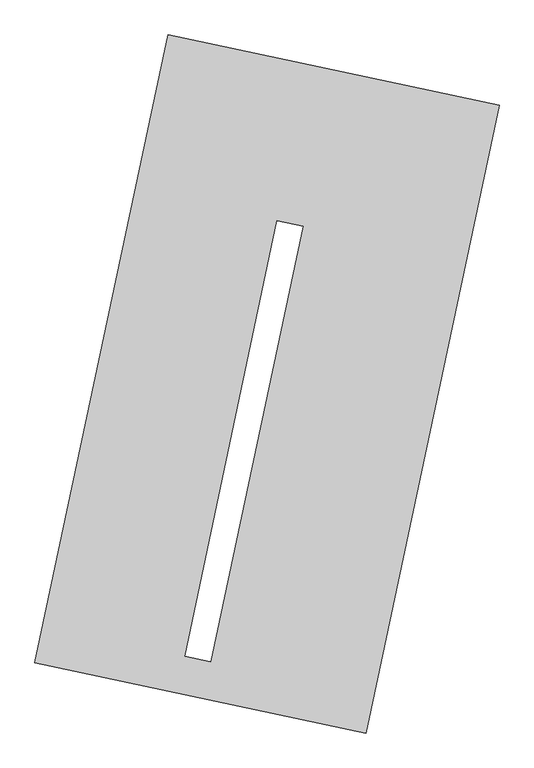
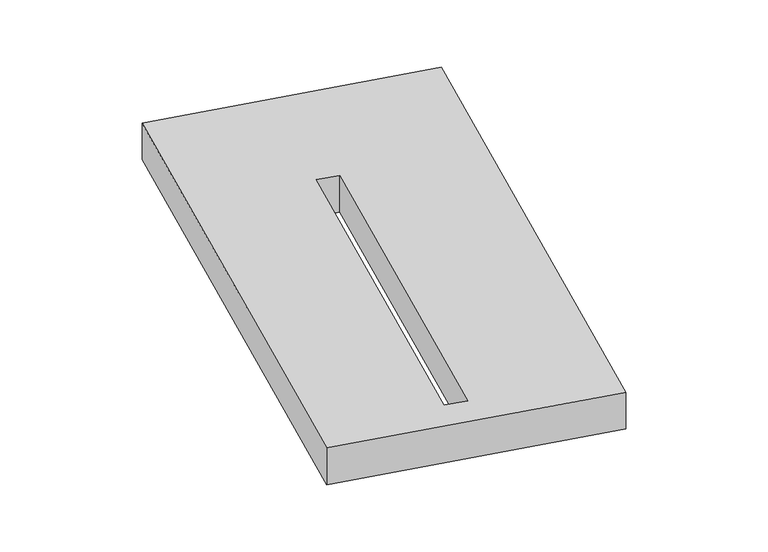
"""IFC4 building model written with IfcOpenShell, lengths in millimetres: proxy geometry."""

from ifc_helpers import new_model, si_unit, origin, origin_with_axes, place, context, project, spatial, polyline, outline, extrude, source, transform, mapped, element, save


def generic_models_88ed9fe9(model_context):
    return source(origin(), model_context, "Body", "SweptSolid", [
        extrude(outline(polyline([(-617.3692021, 2175.5580432), (1447.7508745, 1737.3010494), (617.3692021, -2175.5580432), (-1447.7508745, -1737.3010494), (-617.3692021, 2175.5580432)]), holes=[polyline([(223.541501, 982.5521078), (63.907274, 1016.4294678), (-511.8836864, -1696.7673305), (-352.2494594, -1730.6446905), (223.541501, 982.5521078)])]), origin_with_axes(), (0.0, 0.0, 1.0), 300.0),
    ])


if __name__ == "__main__":
    model = new_model("IFC4")
    model_context = context("Model", 3, world=origin())
    ifc_project = project(units=[si_unit("LENGTHUNIT", "METRE", prefix="MILLI")], contexts=[model_context])
    site = spatial("IfcSite", under=ifc_project)
    building = spatial("IfcBuilding", under=site)
    placement = place(None, origin())
    generic_models_shape = generic_models_88ed9fe9(model_context)
    element("IfcBuildingElementProxy", 1, Name="Generic Models", at=placement, inside=building, context=model_context, shape_type="MappedRepresentation", body=[
        mapped(generic_models_shape, transform((0.0, 0.0, 0.0), x_axis=(1.0, 0.0, 0.0), y_axis=(0.0, 1.0, 0.0), z_axis=(0.0, 0.0, 1.0))),
    ])
    save(model, "model.ifc")
